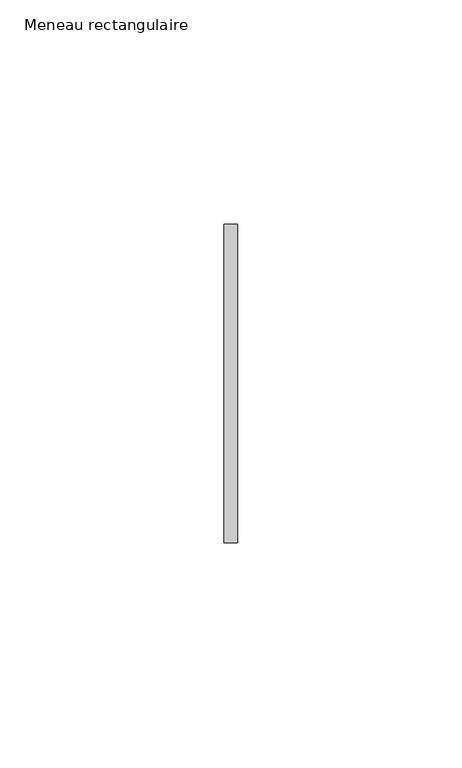
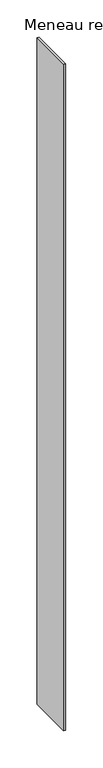
"""IFC4 building model written with IfcOpenShell, lengths in millimetres: member geometry, Meneau rectangulaire."""

from ifc_helpers import new_model, si_unit, frame, origin, place, context, project, spatial, polyline, outline, extrude, source, transform, mapped, element, save


def meneau_rectangulaire_aaf5e3bd(model_context):
    return source(origin(), model_context, "Body", "SweptSolid", [
        extrude(outline(polyline([(-1.5, 35.5), (1.5, 35.5), (1.5, -35.5), (-1.5, -35.5), (-1.5, 35.5)])), frame((0.0, 0.0, -1089.8750002), z_axis=(0.0, 0.0, 1.0), x_axis=(1.0, 0.0, 0.0)), (0.0, 0.0, 1.0), 1089.8750002),
    ])


if __name__ == "__main__":
    model = new_model("IFC4")
    model_context = context("Model", 3, world=origin())
    ifc_project = project(units=[si_unit("LENGTHUNIT", "METRE", prefix="MILLI")], contexts=[model_context])
    site = spatial("IfcSite", under=ifc_project)
    building = spatial("IfcBuilding", under=site)
    placement = place(None, origin())
    meneau_rectangulaire_shape = meneau_rectangulaire_aaf5e3bd(model_context)
    element("IfcMember", 1, ObjectType="Meneau rectangulaire", at=placement, inside=building, context=model_context, shape_type="MappedRepresentation", body=[
        mapped(meneau_rectangulaire_shape, transform((0.0, 0.0, 0.0), x_axis=(1.0, 0.0, 0.0), y_axis=(0.0, 1.0, 0.0), z_axis=(0.0, 0.0, 1.0))),
    ])
    save(model, "model.ifc")
